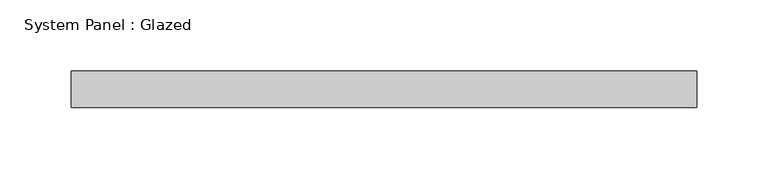
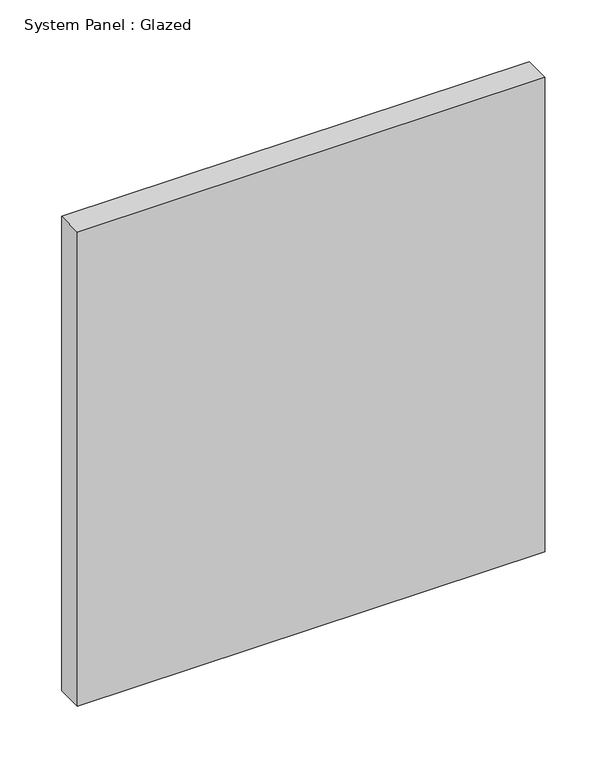
"""IFC4 building model written with IfcOpenShell, lengths in millimetres: plate geometry, System Panel : Glazed."""

from ifc_helpers import new_model, si_unit, origin, origin_with_axes, place, context, project, spatial, polyline, outline, extrude, source, transform, mapped, element, save


def system_panel_glazed_31dc1601(model_context):
    return source(origin(), model_context, "Body", "SweptSolid", [
        extrude(outline(polyline([(219.075, -12.7), (-219.075, -12.7), (-219.075, 12.7), (219.075, 12.7), (219.075, -12.7)])), origin_with_axes(), (0.0, 0.0, 1.0), 469.9),
    ])


if __name__ == "__main__":
    model = new_model("IFC4")
    model_context = context("Model", 3, world=origin())
    ifc_project = project(units=[si_unit("LENGTHUNIT", "METRE", prefix="MILLI")], contexts=[model_context])
    site = spatial("IfcSite", under=ifc_project)
    building = spatial("IfcBuilding", under=site)
    placement = place(None, origin())
    system_panel_glazed_shape = system_panel_glazed_31dc1601(model_context)
    element("IfcPlate", 1, ObjectType="System Panel : Glazed", at=placement, inside=building, context=model_context, shape_type="MappedRepresentation", body=[
        mapped(system_panel_glazed_shape, transform((0.0, 0.0, 0.0), x_axis=(1.0, 0.0, 0.0), y_axis=(0.0, 1.0, 0.0), z_axis=(0.0, 0.0, 1.0))),
    ])
    save(model, "model.ifc")
